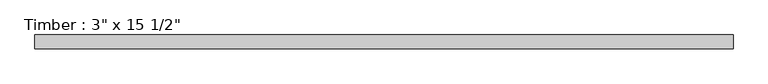
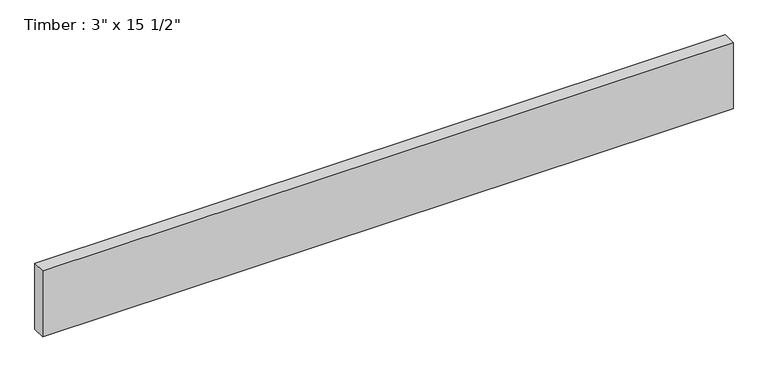
"""IFC4 building model written with IfcOpenShell, lengths in millimetres: beam geometry."""

from ifc_helpers import new_model, si_unit, frame, origin, place, context, project, spatial, polyline, outline, extrude, source, transform, mapped, element, save


def beam_43ee0860(model_context):
    return source(origin(), model_context, "Body", "SweptSolid", [
        extrude(outline(polyline([(1944.6875, 38.1), (1944.6875, -38.1), (-1944.6875, -38.1), (-1944.6875, 38.1), (1944.6875, 38.1)])), frame((0.0, 0.0, -196.85), z_axis=(0.0, 0.0, 1.0), x_axis=(1.0, 0.0, 0.0)), (0.0, 0.0, 1.0), 393.7),
    ])


if __name__ == "__main__":
    model = new_model("IFC4")
    model_context = context("Model", 3, world=origin())
    ifc_project = project(units=[si_unit("LENGTHUNIT", "METRE", prefix="MILLI")], contexts=[model_context])
    site = spatial("IfcSite", under=ifc_project)
    building = spatial("IfcBuilding", under=site)
    placement = place(None, origin())
    beam_shape = beam_43ee0860(model_context)
    element("IfcBeam", 1, ObjectType="Timber : 3\" x 15 1/2\"", at=placement, inside=building, context=model_context, shape_type="MappedRepresentation", body=[
        mapped(beam_shape, transform((0.0, 0.0, 0.0), x_axis=(1.0, 0.0, 0.0), y_axis=(0.0, 1.0, 0.0), z_axis=(0.0, 0.0, 1.0))),
    ])
    save(model, "model.ifc")
